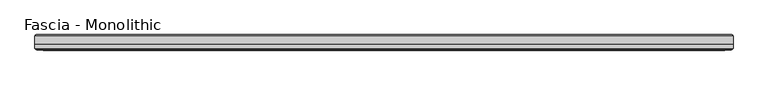
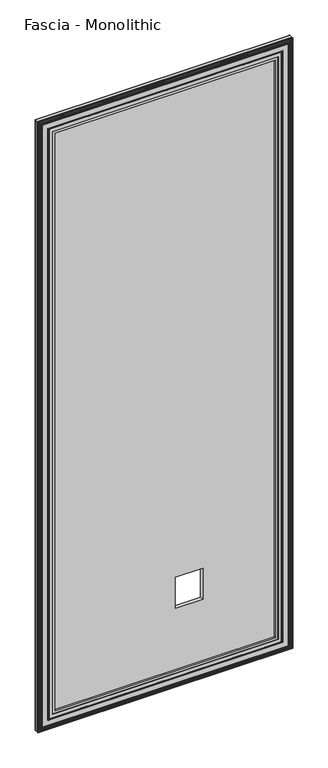
"""IFC4 building model written with IfcOpenShell, lengths in millimetres: proxy geometry, Fascia - Monolithic."""

from ifc_helpers import new_model, si_unit, frame, origin, place, context, project, spatial, ellipse_curve, source, transform, mapped, element, save
from ifc_brep_helpers import plane_surface, cylinder_surface, advanced_brep


def fascia_monolithic_b9e83d8d(model_context):
    return source(origin(), model_context, "Body", "AdvancedBrep", [
        advanced_brep(
        [(-545.4436421, -15.8650077, 46.2434077), (-545.7130498, -16.7386, 45.974), (545.7130498, -16.7386, 45.974), (545.4436421, -15.8650077, 46.2434077), (-546.6174575, -14.6911923, 45.0695923), (546.6174575, -14.6911923, 45.0695923), (-539.5308575, -15.8650077, 52.1561923), (-538.3570421, -14.6911923, 53.3300077), (538.3570421, -14.6911923, 53.3300077), (539.5308575, -15.8650077, 52.1561923), (-539.2614498, -16.7386, 52.4256), (539.2614498, -16.7386, 52.4256), (-522.9800498, -15.5956, 68.707), (-523.7420498, -16.7386, 67.945), (523.7420498, -16.7386, 67.945), (522.9800498, -15.5956, 68.707), (-510.6610498, -8.4836, 81.026), (-510.6610498, -15.5956, 81.026), (510.6610498, -15.5956, 81.026), (510.6610498, -8.4836, 81.026), (-591.6870498, -15.2146, 0.0), (-591.6870498, -8.4836, 0.0), (591.6870498, -8.4836, 0.0), (591.6870498, -15.2146, 0.0), (-590.1630498, -16.7386, 1.524), (590.1630498, -16.7386, 1.524), (-588.1156421, -15.8650077, 3.5714077), (-588.3850498, -16.7386, 3.302), (588.3850498, -16.7386, 3.302), (588.1156421, -15.8650077, 3.5714077), (-589.2894575, -14.6911923, 2.3975923), (589.2894575, -14.6911923, 2.3975923), (-582.2028575, -15.8650077, 9.4841923), (-581.0290421, -14.6911923, 10.6580077), (581.0290421, -14.6911923, 10.6580077), (582.2028575, -15.8650077, 9.4841923), (-581.9334498, -16.7386, 9.7536), (581.9334498, -16.7386, 9.7536), (-577.0439498, -16.7386, 14.6431), (-578.5679498, -16.7386, 13.1191), (578.5679498, -16.7386, 13.1191), (577.0439498, -16.7386, 14.6431), (-571.0749498, -16.7386, 20.6121), (-573.4879498, -16.7386, 18.1991), (573.4879498, -16.7386, 18.1991), (571.0749498, -16.7386, 20.6121), (545.7130498, -16.7386, 2946.7494), (545.4436421, -15.8650077, 2946.4799923), (546.6174575, -14.6911923, 2947.6538077), (538.3570421, -14.6911923, 2939.3933923), (539.5308575, -15.8650077, 2940.5672077), (539.2614498, -16.7386, 2940.2978), (523.7420498, -16.7386, 2924.7784), (522.9800498, -15.5956, 2924.0164), (510.6610498, -15.5956, 2911.6974), (510.6610498, -8.4836, 2911.6974), (591.6870498, -8.4836, 2992.7234), (591.6870498, -15.2146, 2992.7234), (590.1630498, -16.7386, 2991.1994), (588.3850498, -16.7386, 2989.4214), (588.1156421, -15.8650077, 2989.1519923), (589.2894575, -14.6911923, 2990.3258077), (581.0290421, -14.6911923, 2982.0653923), (582.2028575, -15.8650077, 2983.2392077), (581.9334498, -16.7386, 2982.9698), (578.5679498, -16.7386, 2979.6043), (577.0439498, -16.7386, 2978.0803), (573.4879498, -16.7386, 2974.5243), (571.0749498, -16.7386, 2972.1113), (-545.7130498, -16.7386, 2946.7494), (-545.4436421, -15.8650077, 2946.4799923), (-546.6174575, -14.6911923, 2947.6538077), (-538.3570421, -14.6911923, 2939.3933923), (-539.5308575, -15.8650077, 2940.5672077), (-539.2614498, -16.7386, 2940.2978), (-523.7420498, -16.7386, 2924.7784), (-522.9800498, -15.5956, 2924.0164), (-510.6610498, -15.5956, 2911.6974), (-510.6610498, -8.4836, 2911.6974), (-591.6870498, -8.4836, 2992.7234), (-591.6870498, -15.2146, 2992.7234), (-590.1630498, -16.7386, 2991.1994), (-588.3850498, -16.7386, 2989.4214), (-588.1156421, -15.8650077, 2989.1519923), (-589.2894575, -14.6911923, 2990.3258077), (-581.0290421, -14.6911923, 2982.0653923), (-582.2028575, -15.8650077, 2983.2392077), (-581.9334498, -16.7386, 2982.9698), (-578.5679498, -16.7386, 2979.6043), (-577.0439498, -16.7386, 2978.0803), (-573.4879498, -16.7386, 2974.5243), (-571.0749498, -16.7386, 2972.1113)],
        [
            (0, 1, ellipse_curve(frame((-545.8092344, -16.2306, 45.8778154), z_axis=(0.7071067811865475, 0.0, -0.7071067811865475), x_axis=(-0.7071067811865476, 0.0, -0.7071067811865474)), 0.7311846, 0.5170256)),
            (1, 2),
            (2, 3, ellipse_curve(frame((545.8092344, -16.2306, 45.8778154), z_axis=(-0.7071067811865475, 0.0, -0.7071067811865475), x_axis=(-0.7071067811865476, 0.0, 0.7071067811865474)), 0.7311846, 0.5170256)),
            (3, 0),
            (4, 0),
            (3, 5),
            (5, 4),
            (6, 7),
            (7, 8),
            (8, 9),
            (9, 6),
            (10, 6, ellipse_curve(frame((-539.1652651, -16.2306, 52.5217846), z_axis=(0.7071067811865475, 0.0, -0.7071067811865475), x_axis=(-0.7071067811865476, 0.0, -0.7071067811865474)), 0.7311846, 0.5170256)),
            (9, 11, ellipse_curve(frame((539.1652651, -16.2306, 52.5217846), z_axis=(-0.7071067811865475, 0.0, -0.7071067811865475), x_axis=(-0.7071067811865476, 0.0, 0.7071067811865474)), 0.7311846, 0.5170256)),
            (11, 10),
            (12, 13),
            (13, 14),
            (14, 15),
            (15, 12),
            (16, 17),
            (17, 18),
            (18, 19),
            (19, 16),
            (20, 21),
            (21, 22),
            (22, 23),
            (23, 20),
            (24, 20),
            (23, 25),
            (25, 24),
            (26, 27, ellipse_curve(frame((-588.4812344, -16.2306, 3.2058154), z_axis=(0.7071067811865475, 0.0, -0.7071067811865475), x_axis=(-0.7071067811865476, 0.0, -0.7071067811865474)), 0.7311846, 0.5170256)),
            (27, 28),
            (28, 29, ellipse_curve(frame((588.4812344, -16.2306, 3.2058154), z_axis=(-0.7071067811865475, 0.0, -0.7071067811865475), x_axis=(-0.7071067811865476, 0.0, 0.7071067811865474)), 0.7311846, 0.5170256)),
            (29, 26),
            (30, 26),
            (29, 31),
            (31, 30),
            (32, 33),
            (33, 34),
            (34, 35),
            (35, 32),
            (36, 32, ellipse_curve(frame((-581.8372651, -16.2306, 9.8497846), z_axis=(0.7071067811865475, 0.0, -0.7071067811865475), x_axis=(-0.7071067811865476, 0.0, -0.7071067811865474)), 0.7311846, 0.5170256)),
            (35, 37, ellipse_curve(frame((581.8372651, -16.2306, 9.8497846), z_axis=(-0.7071067811865475, 0.0, -0.7071067811865475), x_axis=(-0.7071067811865476, 0.0, 0.7071067811865474)), 0.7311846, 0.5170256)),
            (37, 36),
            (38, 39, ellipse_curve(frame((-577.8059498, -16.7386, 13.8811), z_axis=(0.7071067811865475, 0.0, -0.7071067811865475), x_axis=(-0.7071067811865476, 0.0, -0.7071067811865474)), 1.0776307, 0.762)),
            (39, 40),
            (40, 41, ellipse_curve(frame((577.8059498, -16.7386, 13.8811), z_axis=(-0.7071067811865475, 0.0, -0.7071067811865475), x_axis=(-0.7071067811865476, 0.0, 0.7071067811865474)), 1.0776307, 0.762)),
            (41, 38),
            (42, 43, ellipse_curve(frame((-572.2814498, -16.0202269, 19.4056), z_axis=(0.7071067811865475, 0.0, -0.7071067811865475), x_axis=(-0.7071067811865476, 0.0, -0.7071067811865474)), 1.9858007, 1.4041731)),
            (43, 44),
            (44, 45, ellipse_curve(frame((572.2814498, -16.0202269, 19.4056), z_axis=(-0.7071067811865475, 0.0, -0.7071067811865475), x_axis=(-0.7071067811865476, 0.0, 0.7071067811865474)), 1.9858007, 1.4041731)),
            (45, 42),
            (2, 46),
            (46, 47, ellipse_curve(frame((545.8092344, -16.2306, 2946.8455846), z_axis=(0.7071067811865475, 0.0, -0.7071067811865475), x_axis=(-0.7071067811865474, 0.0, -0.7071067811865476)), 0.7311846, 0.5170256)),
            (47, 3),
            (47, 48),
            (48, 5),
            (8, 49),
            (49, 50),
            (50, 9),
            (50, 51, ellipse_curve(frame((539.1652651, -16.2306, 2940.2016154), z_axis=(0.7071067811865475, 0.0, -0.7071067811865475), x_axis=(-0.7071067811865474, 0.0, -0.7071067811865476)), 0.7311846, 0.5170256)),
            (51, 11),
            (14, 52),
            (52, 53),
            (53, 15),
            (18, 54),
            (54, 55),
            (55, 19),
            (22, 56),
            (56, 57),
            (57, 23),
            (57, 58),
            (58, 25),
            (28, 59),
            (59, 60, ellipse_curve(frame((588.4812344, -16.2306, 2989.5175846), z_axis=(0.7071067811865475, 0.0, -0.7071067811865475), x_axis=(-0.7071067811865474, 0.0, -0.7071067811865476)), 0.7311846, 0.5170256)),
            (60, 29),
            (60, 61),
            (61, 31),
            (34, 62),
            (62, 63),
            (63, 35),
            (63, 64, ellipse_curve(frame((581.8372651, -16.2306, 2982.8736154), z_axis=(0.7071067811865475, 0.0, -0.7071067811865475), x_axis=(-0.7071067811865474, 0.0, -0.7071067811865476)), 0.7311846, 0.5170256)),
            (64, 37),
            (40, 65),
            (65, 66, ellipse_curve(frame((577.8059498, -16.7386, 2978.8423), z_axis=(0.7071067811865475, 0.0, -0.7071067811865475), x_axis=(-0.7071067811865474, 0.0, -0.7071067811865476)), 1.0776307, 0.762)),
            (66, 41),
            (44, 67),
            (67, 68, ellipse_curve(frame((572.2814498, -16.0202269, 2973.3178), z_axis=(0.7071067811865475, 0.0, -0.7071067811865475), x_axis=(-0.7071067811865474, 0.0, -0.7071067811865476)), 1.9858007, 1.4041731)),
            (68, 45),
            (46, 69),
            (69, 70, ellipse_curve(frame((-545.8092344, -16.2306, 2946.8455846), z_axis=(0.7071067811865475, 0.0, 0.7071067811865475), x_axis=(0.7071067811865476, 0.0, -0.7071067811865474)), 0.7311846, 0.5170256)),
            (70, 47),
            (70, 71),
            (71, 48),
            (49, 72),
            (72, 73),
            (73, 50),
            (73, 74, ellipse_curve(frame((-539.1652651, -16.2306, 2940.2016154), z_axis=(0.7071067811865475, 0.0, 0.7071067811865475), x_axis=(0.7071067811865476, 0.0, -0.7071067811865474)), 0.7311846, 0.5170256)),
            (74, 51),
            (52, 75),
            (75, 76),
            (76, 53),
            (54, 77),
            (77, 78),
            (78, 55),
            (56, 79),
            (79, 80),
            (80, 57),
            (80, 81),
            (81, 58),
            (59, 82),
            (82, 83, ellipse_curve(frame((-588.4812344, -16.2306, 2989.5175846), z_axis=(0.7071067811865475, 0.0, 0.7071067811865475), x_axis=(0.7071067811865476, 0.0, -0.7071067811865474)), 0.7311846, 0.5170256)),
            (83, 60),
            (83, 84),
            (84, 61),
            (62, 85),
            (85, 86),
            (86, 63),
            (86, 87, ellipse_curve(frame((-581.8372651, -16.2306, 2982.8736154), z_axis=(0.7071067811865475, 0.0, 0.7071067811865475), x_axis=(0.7071067811865476, 0.0, -0.7071067811865474)), 0.7311846, 0.5170256)),
            (87, 64),
            (65, 88),
            (88, 89, ellipse_curve(frame((-577.8059498, -16.7386, 2978.8423), z_axis=(0.7071067811865475, 0.0, 0.7071067811865475), x_axis=(0.7071067811865476, 0.0, -0.7071067811865474)), 1.0776307, 0.762)),
            (89, 66),
            (67, 90),
            (90, 91, ellipse_curve(frame((-572.2814498, -16.0202269, 2973.3178), z_axis=(0.7071067811865475, 0.0, 0.7071067811865475), x_axis=(0.7071067811865476, 0.0, -0.7071067811865474)), 1.9858007, 1.4041731)),
            (91, 68),
            (91, 42),
            (1, 69),
            (0, 70),
            (4, 71),
            (7, 72),
            (6, 73),
            (10, 74),
            (13, 75),
            (12, 76),
            (17, 77),
            (16, 78),
            (21, 79),
            (20, 80),
            (24, 81),
            (27, 82),
            (26, 83),
            (30, 84),
            (33, 85),
            (32, 86),
            (36, 87),
            (39, 88),
            (38, 89),
            (43, 90),
        ],
        [
            cylinder_surface(frame((-591.6870498, -16.2306, 45.8778154), z_axis=(-1.0, 0.0, 0.0), x_axis=(0.0, 0.0, 1.0)), 0.5170256),
            plane_surface(frame((-545.4436421, -15.8650077, 46.2434077), z_axis=(0.0, 0.7071067813016592, 0.7071067810714359), x_axis=(1.0, 0.0, 0.0))),
            plane_surface(frame((-538.3570421, -14.6911923, 53.3300077), z_axis=(0.0, 0.7071067813016237, -0.7071067810714713), x_axis=(1.0, 0.0, 0.0))),
            cylinder_surface(frame((-591.6870498, -16.2306, 52.5217846), z_axis=(-1.0, 0.0, 0.0), x_axis=(0.0, 0.0, 1.0)), 0.5170256),
            plane_surface(frame((-523.7420498, -16.7386, 67.945), z_axis=(0.0, -0.554700195976685, 0.8320502945035398), x_axis=(1.0, 0.0, 0.0))),
            plane_surface(frame((-510.6610498, -15.5956, 81.026), z_axis=(0.0, 0.0, 1.0), x_axis=(1.0, 0.0, 0.0))),
            plane_surface(frame((-591.6870498, -8.4836, 0.0), z_axis=(0.0, 0.0, -1.0), x_axis=(1.0, 0.0, 0.0))),
            plane_surface(frame((-591.6870498, -15.2146, 0.0), z_axis=(0.0, -0.7071067811865392, -0.7071067811865558), x_axis=(1.0, 0.0, 0.0))),
            cylinder_surface(frame((-591.6870498, -16.2306, 3.2058154), z_axis=(-1.0, 0.0, 0.0), x_axis=(0.0, 0.0, 1.0)), 0.5170256),
            plane_surface(frame((-588.1156421, -15.8650077, 3.5714077), z_axis=(0.0, 0.707106781113895, 0.7071067812592001), x_axis=(1.0, 0.0, 0.0))),
            plane_surface(frame((-581.0290421, -14.6911923, 10.6580077), z_axis=(0.0, 0.7071067811880475, -0.7071067811850476), x_axis=(1.0, 0.0, 0.0))),
            cylinder_surface(frame((-591.6870498, -16.2306, 9.8497846), z_axis=(-1.0, 0.0, 0.0), x_axis=(0.0, 0.0, 1.0)), 0.5170256),
            cylinder_surface(frame((-591.6870498, -16.7386, 13.8811), z_axis=(-1.0, 0.0, 0.0), x_axis=(0.0, 0.0, 1.0)), 0.762),
            cylinder_surface(frame((-591.6870498, -16.0202269, 19.4056), z_axis=(-1.0, 0.0, 0.0), x_axis=(0.0, 0.0, 1.0)), 1.4041731),
            cylinder_surface(frame((545.8092344, -16.2306, 0.0), z_axis=(0.0, 0.0, -1.0), x_axis=(-1.0, 0.0, 0.0)), 0.5170256),
            plane_surface(frame((545.4436421, -15.8650077, 46.2434077), z_axis=(-0.7071067810714261, 0.7071067813016689, 0.0), x_axis=(0.0, 0.0, 1.0))),
            plane_surface(frame((538.3570421, -14.6911923, 53.3300077), z_axis=(0.7071067810714811, 0.707106781301614, 0.0), x_axis=(0.0, 0.0, 1.0))),
            cylinder_surface(frame((539.1652651, -16.2306, 0.0), z_axis=(0.0, 0.0, -1.0), x_axis=(-1.0, 0.0, 0.0)), 0.5170256),
            plane_surface(frame((523.7420498, -16.7386, 67.945), z_axis=(-0.8320502945035475, -0.5547001959766734, 0.0), x_axis=(0.0, 0.0, 1.0))),
            plane_surface(frame((510.6610498, -15.5956, 81.026), z_axis=(-1.0, 0.0, 0.0), x_axis=(0.0, 0.0, 1.0))),
            plane_surface(frame((591.6870498, -8.4836, 0.0), z_axis=(1.0, 0.0, 0.0), x_axis=(0.0, 0.0, 1.0))),
            plane_surface(frame((591.6870498, -15.2146, 0.0), z_axis=(0.707106781186546, -0.707106781186549, 0.0), x_axis=(0.0, 0.0, 1.0))),
            cylinder_surface(frame((588.4812344, -16.2306, 0.0), z_axis=(0.0, 0.0, -1.0), x_axis=(-1.0, 0.0, 0.0)), 0.5170256),
            plane_surface(frame((588.1156421, -15.8650077, 3.5714077), z_axis=(-0.7071067812591904, 0.7071067811139048, 0.0), x_axis=(0.0, 0.0, 1.0))),
            plane_surface(frame((581.0290421, -14.6911923, 10.6580077), z_axis=(0.7071067811850573, 0.7071067811880377, 0.0), x_axis=(0.0, 0.0, 1.0))),
            cylinder_surface(frame((581.8372651, -16.2306, 0.0), z_axis=(0.0, 0.0, -1.0), x_axis=(-1.0, 0.0, 0.0)), 0.5170256),
            cylinder_surface(frame((577.8059498, -16.7386, 0.0), z_axis=(0.0, 0.0, -1.0), x_axis=(-1.0, 0.0, 0.0)), 0.762),
            cylinder_surface(frame((572.2814498, -16.0202269, 0.0), z_axis=(0.0, 0.0, -1.0), x_axis=(-1.0, 0.0, 0.0)), 1.4041731),
            cylinder_surface(frame((591.6870498, -16.2306, 2946.8455846), z_axis=(1.0, 0.0, 0.0), x_axis=(0.0, 0.0, -1.0)), 0.5170256),
            plane_surface(frame((545.4436421, -15.8650077, 2946.4799923), z_axis=(0.0, 0.7071067813016787, -0.7071067810714163), x_axis=(-1.0, 0.0, 0.0))),
            plane_surface(frame((538.3570421, -14.6911923, 2939.3933923), z_axis=(0.0, 0.7071067813016042, 0.7071067810714908), x_axis=(-1.0, 0.0, 0.0))),
            cylinder_surface(frame((591.6870498, -16.2306, 2940.2016154), z_axis=(1.0, 0.0, 0.0), x_axis=(0.0, 0.0, -1.0)), 0.5170256),
            plane_surface(frame((523.7420498, -16.7386, 2924.7784), z_axis=(0.0, -0.5547001959766619, -0.8320502945035552), x_axis=(-1.0, 0.0, 0.0))),
            plane_surface(frame((510.6610498, -15.5956, 2911.6974), z_axis=(0.0, 0.0, -1.0), x_axis=(-1.0, 0.0, 0.0))),
            plane_surface(frame((591.6870498, -8.4836, 2992.7234), z_axis=(0.0, 0.0, 1.0), x_axis=(-1.0, 0.0, 0.0))),
            plane_surface(frame((591.6870498, -15.2146, 2992.7234), z_axis=(0.0, -0.7071067811865588, 0.7071067811865362), x_axis=(-1.0, 0.0, 0.0))),
            cylinder_surface(frame((591.6870498, -16.2306, 2989.5175846), z_axis=(1.0, 0.0, 0.0), x_axis=(0.0, 0.0, -1.0)), 0.5170256),
            plane_surface(frame((588.1156421, -15.8650077, 2989.1519923), z_axis=(0.0, 0.7071067811139146, -0.7071067812591806), x_axis=(-1.0, 0.0, 0.0))),
            plane_surface(frame((581.0290421, -14.6911923, 2982.0653923), z_axis=(0.0, 0.7071067811880279, 0.7071067811850671), x_axis=(-1.0, 0.0, 0.0))),
            cylinder_surface(frame((591.6870498, -16.2306, 2982.8736154), z_axis=(1.0, 0.0, 0.0), x_axis=(0.0, 0.0, -1.0)), 0.5170256),
            cylinder_surface(frame((591.6870498, -16.7386, 2978.8423), z_axis=(1.0, 0.0, 0.0), x_axis=(0.0, 0.0, -1.0)), 0.762),
            cylinder_surface(frame((591.6870498, -16.0202269, 2973.3178), z_axis=(1.0, 0.0, 0.0), x_axis=(0.0, 0.0, -1.0)), 1.4041731),
            plane_surface(frame((-571.0749498, -16.7386, 2972.1113), z_axis=(0.0, -1.0, 0.0), x_axis=(0.0, 0.0, -1.0))),
            cylinder_surface(frame((-545.8092344, -16.2306, 2992.7234), z_axis=(0.0, 0.0, 1.0), x_axis=(1.0, 0.0, 0.0)), 0.5170256),
            plane_surface(frame((-545.4436421, -15.8650077, 2946.4799923), z_axis=(0.7071067810714261, 0.7071067813016689, 0.0), x_axis=(0.0, 0.0, -1.0))),
            plane_surface(frame((-546.6174575, -14.6911923, 2947.6538077), z_axis=(0.0, -1.0, 0.0), x_axis=(0.0, 0.0, -1.0))),
            plane_surface(frame((-538.3570421, -14.6911923, 2939.3933923), z_axis=(-0.7071067810714811, 0.707106781301614, 0.0), x_axis=(0.0, 0.0, -1.0))),
            cylinder_surface(frame((-539.1652651, -16.2306, 2992.7234), z_axis=(0.0, 0.0, 1.0), x_axis=(1.0, 0.0, 0.0)), 0.5170256),
            plane_surface(frame((-539.2614498, -16.7386, 2940.2978), z_axis=(0.0, -1.0, 0.0), x_axis=(0.0, 0.0, -1.0))),
            plane_surface(frame((-523.7420498, -16.7386, 2924.7784), z_axis=(0.8320502945035475, -0.5547001959766734, 0.0), x_axis=(0.0, 0.0, -1.0))),
            plane_surface(frame((-522.9800498, -15.5956, 2924.0164), z_axis=(0.0, -1.0, 0.0), x_axis=(0.0, 0.0, -1.0))),
            plane_surface(frame((-510.6610498, -15.5956, 2911.6974), z_axis=(1.0, 0.0, 0.0), x_axis=(0.0, 0.0, -1.0))),
            plane_surface(frame((-510.6610498, -8.4836, 2911.6974), z_axis=(0.0, 1.0, 0.0), x_axis=(0.0, 0.0, -1.0))),
            plane_surface(frame((-591.6870498, -8.4836, 2992.7234), z_axis=(-1.0, 0.0, 0.0), x_axis=(0.0, 0.0, -1.0))),
            plane_surface(frame((-591.6870498, -15.2146, 2992.7234), z_axis=(-0.707106781186546, -0.707106781186549, 0.0), x_axis=(0.0, 0.0, -1.0))),
            plane_surface(frame((-590.1630498, -16.7386, 2991.1994), z_axis=(0.0, -1.0, 0.0), x_axis=(0.0, 0.0, -1.0))),
            cylinder_surface(frame((-588.4812344, -16.2306, 2992.7234), z_axis=(0.0, 0.0, 1.0), x_axis=(1.0, 0.0, 0.0)), 0.5170256),
            plane_surface(frame((-588.1156421, -15.8650077, 2989.1519923), z_axis=(0.7071067812591904, 0.7071067811139048, 0.0), x_axis=(0.0, 0.0, -1.0))),
            plane_surface(frame((-589.2894575, -14.6911923, 2990.3258077), z_axis=(0.0, -1.0, 0.0), x_axis=(0.0, 0.0, -1.0))),
            plane_surface(frame((-581.0290421, -14.6911923, 2982.0653923), z_axis=(-0.7071067811850573, 0.7071067811880377, 0.0), x_axis=(0.0, 0.0, -1.0))),
            cylinder_surface(frame((-581.8372651, -16.2306, 2992.7234), z_axis=(0.0, 0.0, 1.0), x_axis=(1.0, 0.0, 0.0)), 0.5170256),
            plane_surface(frame((-581.9334498, -16.7386, 2982.9698), z_axis=(0.0, -1.0, 0.0), x_axis=(0.0, 0.0, -1.0))),
            cylinder_surface(frame((-577.8059498, -16.7386, 2992.7234), z_axis=(0.0, 0.0, 1.0), x_axis=(1.0, 0.0, 0.0)), 0.762),
            plane_surface(frame((-577.0439498, -16.7386, 2978.0803), z_axis=(0.0, -1.0, 0.0), x_axis=(0.0, 0.0, -1.0))),
            cylinder_surface(frame((-572.2814498, -16.0202269, 2992.7234), z_axis=(0.0, 0.0, 1.0), x_axis=(1.0, 0.0, 0.0)), 1.4041731),
        ],
        [
            (0, [[1, 2, 3, 4]]),
            (1, [[5, -4, 6, 7]]),
            (2, [[8, 9, 10, 11]]),
            (3, [[12, -11, 13, 14]]),
            (4, [[15, 16, 17, 18]]),
            (5, [[19, 20, 21, 22]]),
            (6, [[23, 24, 25, 26]]),
            (7, [[27, -26, 28, 29]]),
            (8, [[30, 31, 32, 33]]),
            (9, [[34, -33, 35, 36]]),
            (10, [[37, 38, 39, 40]]),
            (11, [[41, -40, 42, 43]]),
            (12, [[44, 45, 46, 47]]),
            (13, [[48, 49, 50, 51]]),
            (14, [[-3, 52, 53, 54]]),
            (15, [[-6, -54, 55, 56]]),
            (16, [[-10, 57, 58, 59]]),
            (17, [[-13, -59, 60, 61]]),
            (18, [[-17, 62, 63, 64]]),
            (19, [[-21, 65, 66, 67]]),
            (20, [[-25, 68, 69, 70]]),
            (21, [[-28, -70, 71, 72]]),
            (22, [[-32, 73, 74, 75]]),
            (23, [[-35, -75, 76, 77]]),
            (24, [[-39, 78, 79, 80]]),
            (25, [[-42, -80, 81, 82]]),
            (26, [[-46, 83, 84, 85]]),
            (27, [[-50, 86, 87, 88]]),
            (28, [[-53, 89, 90, 91]]),
            (29, [[-55, -91, 92, 93]]),
            (30, [[-58, 94, 95, 96]]),
            (31, [[-60, -96, 97, 98]]),
            (32, [[-63, 99, 100, 101]]),
            (33, [[-66, 102, 103, 104]]),
            (34, [[-69, 105, 106, 107]]),
            (35, [[-71, -107, 108, 109]]),
            (36, [[-74, 110, 111, 112]]),
            (37, [[-76, -112, 113, 114]]),
            (38, [[-79, 115, 116, 117]]),
            (39, [[-81, -117, 118, 119]]),
            (40, [[-84, 120, 121, 122]]),
            (41, [[-87, 123, 124, 125]]),
            (42, [[-88, -125, 126, -51], [127, -89, -52, -2]]),
            (43, [[-90, -127, -1, 128]]),
            (44, [[-92, -128, -5, 129]]),
            (45, [[-56, -93, -129, -7], [130, -94, -57, -9]]),
            (46, [[-95, -130, -8, 131]]),
            (47, [[-97, -131, -12, 132]]),
            (48, [[-61, -98, -132, -14], [133, -99, -62, -16]]),
            (49, [[-100, -133, -15, 134]]),
            (50, [[-64, -101, -134, -18], [135, -102, -65, -20]]),
            (51, [[-103, -135, -19, 136]]),
            (52, [[137, -105, -68, -24], [-67, -104, -136, -22]]),
            (53, [[-106, -137, -23, 138]]),
            (54, [[-108, -138, -27, 139]]),
            (55, [[-72, -109, -139, -29], [140, -110, -73, -31]]),
            (56, [[-111, -140, -30, 141]]),
            (57, [[-113, -141, -34, 142]]),
            (58, [[-77, -114, -142, -36], [143, -115, -78, -38]]),
            (59, [[-116, -143, -37, 144]]),
            (60, [[-118, -144, -41, 145]]),
            (61, [[-82, -119, -145, -43], [146, -120, -83, -45]]),
            (62, [[-121, -146, -44, 147]]),
            (63, [[-85, -122, -147, -47], [148, -123, -86, -49]]),
            (64, [[-124, -148, -48, -126]]),
        ],
    ),
        advanced_brep(
        [(-591.6870498, -8.4836, 2992.7234), (591.6870498, -8.4836, 2992.7234), (591.6870498, 6.1862895, 2992.7234), (-591.6870498, 6.1862895, 2992.7234), (591.6870498, -8.4836, 0.0), (-591.6870498, -8.4836, 0.0), (-591.6870498, 6.1862895, 0.0), (591.6870498, 6.1862895, 0.0), (589.3897393, 8.4836, 2.2973105), (-589.3897393, 8.4836, 2.2973105), (-589.3897393, 8.4836, 2990.4260895), (589.3897393, 8.4836, 2990.4260895), (178.3588, 8.4836, 381.0), (178.3588, 8.4836, 533.4), (51.3588, 8.4836, 533.4), (51.3588, 8.4836, 381.0), (178.3588, -8.4836, 533.4), (178.3588, -8.4836, 381.0), (51.3588, -8.4836, 381.0), (51.3588, -8.4836, 533.4)],
        [
            (0, 1),
            (1, 2),
            (2, 3),
            (3, 0),
            (4, 5),
            (5, 6),
            (6, 7),
            (7, 4),
            (8, 9),
            (9, 10),
            (10, 11),
            (11, 8),
            (12, 13),
            (13, 14),
            (14, 15),
            (15, 12),
            (5, 0),
            (3, 6),
            (4, 1),
            (16, 17),
            (17, 18),
            (18, 19),
            (19, 16),
            (7, 2),
            (8, 7, ellipse_curve(frame((589.3897393, 6.1862895, 2.2973105), z_axis=(-0.7071067811865475, 0.0, -0.7071067811865475), x_axis=(0.7071067811865476, 0.0, -0.7071067811865474)), 3.2488876, 2.2973105)),
            (6, 9, ellipse_curve(frame((-589.3897393, 6.1862895, 2.2973105), z_axis=(0.7071067811865475, 0.0, -0.7071067811865475), x_axis=(0.7071067811865476, 0.0, 0.7071067811865474)), 3.2488876, 2.2973105)),
            (11, 2, ellipse_curve(frame((589.3897393, 6.1862895, 2990.4260895), z_axis=(0.7071067811865475, 0.0, -0.7071067811865475), x_axis=(0.7071067811865474, 0.0, 0.7071067811865476)), 3.2488876, 2.2973105)),
            (10, 3, ellipse_curve(frame((-589.3897393, 6.1862895, 2990.4260895), z_axis=(0.7071067811865475, 0.0, 0.7071067811865475), x_axis=(-0.7071067811865476, 0.0, 0.7071067811865474)), 3.2488876, 2.2973105)),
            (12, 17),
            (16, 13),
            (15, 18),
            (14, 19),
        ],
        [
            plane_surface(frame((0.0, 198.5529455, 2992.7234), z_axis=(0.0, 0.0, 1.0), x_axis=(0.0, -1.0, 0.0))),
            plane_surface(frame((0.0, 198.5529455, 0.0), z_axis=(0.0, 0.0, -1.0), x_axis=(0.0, -1.0, 0.0))),
            plane_surface(frame((591.6870498, 8.4836, 2992.7234), z_axis=(0.0, 1.0, 0.0), x_axis=(0.0, 0.0, -1.0))),
            plane_surface(frame((-591.6870498, 8.4836, 2992.7234), z_axis=(-1.0, 0.0, 0.0), x_axis=(0.0, 0.0, -1.0))),
            plane_surface(frame((-591.6870498, -8.4836, 2992.7234), z_axis=(0.0, -1.0, 0.0), x_axis=(0.0, 0.0, -1.0))),
            plane_surface(frame((591.6870498, -8.4836, 2992.7234), z_axis=(1.0, 0.0, 0.0), x_axis=(0.0, 0.0, -1.0))),
            cylinder_surface(frame((-591.6870498, 6.1862895, 2.2973105), z_axis=(1.0, 0.0, 0.0), x_axis=(0.0, -1.0, 0.0)), 2.2973105),
            cylinder_surface(frame((589.3897393, 6.1862895, 0.0), z_axis=(0.0, 0.0, 1.0), x_axis=(0.0, -1.0, 0.0)), 2.2973105),
            cylinder_surface(frame((591.6870498, 6.1862895, 2990.4260895), z_axis=(-1.0, 0.0, 0.0), x_axis=(0.0, -1.0, 0.0)), 2.2973105),
            cylinder_surface(frame((-589.3897393, 6.1862895, 2992.7234), z_axis=(0.0, 0.0, -1.0), x_axis=(0.0, -1.0, 0.0)), 2.2973105),
            plane_surface(frame((178.3588, 8.4836, 533.4), z_axis=(-1.0, 0.0, 0.0), x_axis=(0.0, -1.0, 0.0))),
            plane_surface(frame((178.3588, 8.4836, 381.0), z_axis=(0.0, 0.0, 1.0), x_axis=(0.0, -1.0, 0.0))),
            plane_surface(frame((51.3588, 8.4836, 381.0), z_axis=(1.0, 0.0, 0.0), x_axis=(0.0, -1.0, 0.0))),
            plane_surface(frame((51.3588, 8.4836, 533.4), z_axis=(0.0, 0.0, -1.0), x_axis=(0.0, -1.0, 0.0))),
        ],
        [
            (0, [[1, 2, 3, 4]]),
            (1, [[5, 6, 7, 8]]),
            (2, [[9, 10, 11, 12], [13, 14, 15, 16]]),
            (3, [[17, -4, 18, -6]]),
            (4, [[-1, -17, -5, 19], [20, 21, 22, 23]]),
            (5, [[-19, -8, 24, -2]]),
            (6, [[25, -7, 26, -9]]),
            (7, [[-25, -12, 27, -24]]),
            (8, [[-27, -11, 28, -3]]),
            (9, [[-26, -18, -28, -10]]),
            (10, [[29, -20, 30, -13]]),
            (11, [[-29, -16, 31, -21]]),
            (12, [[-31, -15, 32, -22]]),
            (13, [[-30, -23, -32, -14]]),
        ],
    ),
    ])


if __name__ == "__main__":
    model = new_model("IFC4")
    model_context = context("Model", 3, world=origin())
    ifc_project = project(units=[si_unit("LENGTHUNIT", "METRE", prefix="MILLI")], contexts=[model_context])
    site = spatial("IfcSite", under=ifc_project)
    building = spatial("IfcBuilding", under=site)
    placement = place(None, origin())
    fascia_monolithic_shape = fascia_monolithic_b9e83d8d(model_context)
    element("IfcBuildingElementProxy", 1, Name="Fascia - Monolithic", ObjectType="Fascia - Monolithic", at=placement, inside=building, context=model_context, shape_type="MappedRepresentation", body=[
        mapped(fascia_monolithic_shape, transform((0.0, 0.0, 0.0), x_axis=(1.0, 0.0, 0.0), y_axis=(0.0, 1.0, 0.0), z_axis=(0.0, 0.0, 1.0))),
    ])
    save(model, "model.ifc")
